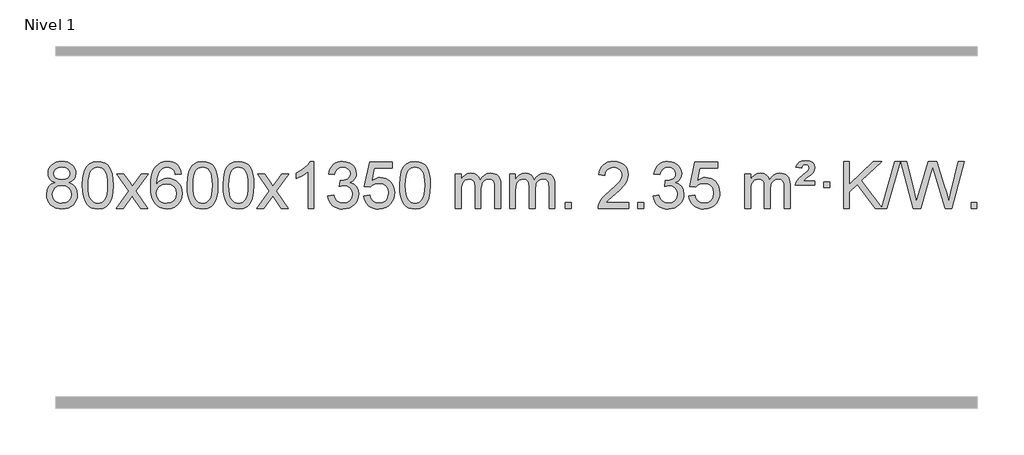
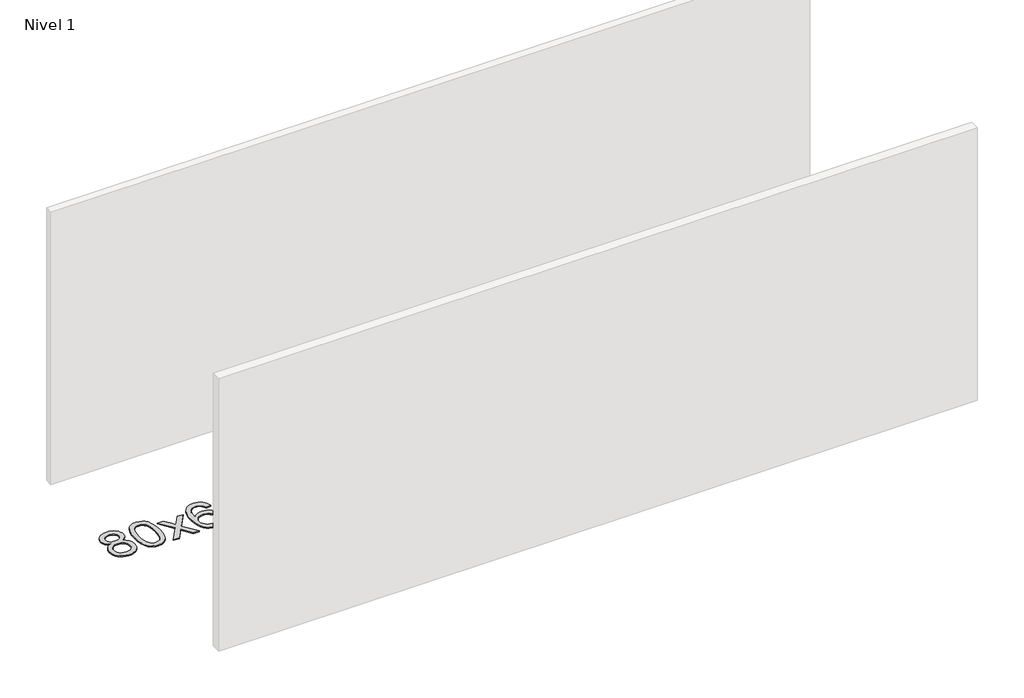
# One storey, part 7 of 10: 1 proxy.
"""IFC4 building model written with IfcOpenShell, lengths in millimetres."""

from ifc_helpers import new_model, si_unit, origin, origin_with_axes, place, context, project, spatial, polyline, outline, extrude, element, save

model = new_model("IFC4")

# Units and contexts
model_context = context("Model", 3, world=origin())
ifc_project = project(units=[si_unit("LENGTHUNIT", "METRE", prefix="MILLI")], contexts=[model_context])

# Site, building, storey
site = spatial("IfcSite", under=ifc_project)
building = spatial("IfcBuilding", under=site)
storey = spatial("IfcBuildingStorey", under=building, Name="Nivel 1", Elevation=0.0)

# Proxy
placement = place(None, origin())
element("IfcBuildingElementProxy", 1, Name="Texto de modelo 1", ObjectType="Texto de modelo 1", at=placement, inside=storey, context=model_context, shape_type="SweptSolid", body=[
    extrude(outline(polyline([(-6536.8094438, -6174.2616447), (-6563.7016177, -6161.0178929), (-6582.573964, -6143.0652515), (-6593.7207885, -6120.7716026), (-6597.4363966, -6094.5048281), (-6595.4130456, -6074.0199324), (-6589.3429927, -6055.2395565), (-6579.2262378, -6038.1637006), (-6565.062781, -6022.7923645), (-6547.533204, -6010.088173), (-6527.3180883, -6001.0137504), (-6504.4174341, -5995.5690969), (-6478.8312414, -5993.7542124), (-6453.1224213, -5995.6120165), (-6430.0500888, -6001.1854287), (-6409.614244, -6010.4744491), (-6391.8148868, -6023.4790776), (-6377.3939126, -6039.1508506), (-6367.0932167, -6056.4413044), (-6360.9127992, -6075.3504389), (-6358.85266, -6095.8782543), (-6362.5192172, -6121.2989001), (-6373.5188889, -6143.2124043), (-6391.9743023, -6161.0546811), (-6418.0080848, -6174.2616447), (-6387.0937345, -6190.1909351), (-6364.5916191, -6213.6495436), (-6350.8696207, -6243.5092989), (-6346.2956212, -6278.6420295), (-6348.5642269, -6303.6947933), (-6355.3700438, -6326.6628926), (-6366.713072, -6347.5463272), (-6382.5933114, -6366.3450971), (-6402.1768963, -6381.88198), (-6424.6299607, -6392.9797536), (-6449.9525047, -6399.6384177), (-6478.1445283, -6401.8579724), (-6506.3365519, -6399.6292206), (-6531.6590959, -6392.9429654), (-6554.1121603, -6381.7992066), (-6573.6957452, -6366.1979443), (-6589.5759846, -6347.26735), (-6600.9190128, -6326.135595), (-6607.7248297, -6302.8026795), (-6609.9934354, -6277.2686033), (-6605.2354949, -6240.7747094), (-6590.9616735, -6210.7555386), (-6567.9077351, -6188.2411605), (-6536.8094438, -6174.2616447)]), holes=[polyline([(-6547.2082415, -6095.9763561), (-6542.7568694, -6117.902123), (-6529.402753, -6135.413306), (-6507.5382997, -6146.8912243), (-6477.5559171, -6150.717197), (-6448.2725103, -6146.9157497), (-6426.7391508, -6135.5114079), (-6413.495399, -6118.5888361), (-6409.0808151, -6098.232699), (-6413.6425518, -6077.1040098), (-6427.327762, -6059.629615), (-6449.1554271, -6047.8941794), (-6478.1445283, -6043.9823675), (-6507.3175705, -6047.8083402), (-6529.1084474, -6059.2862585), (-6542.683293, -6076.1107284), (-6547.2082415, -6095.9763561)]), polyline([(-6559.7652803, -6275.5027698), (-6557.6683529, -6294.7184726), (-6551.3775708, -6313.3210389), (-6539.7647625, -6329.5446349), (-6521.7017565, -6341.623427), (-6500.0702952, -6349.1282197), (-6477.7521208, -6351.6298173), (-6443.5636208, -6346.3691048), (-6429.6699441, -6339.7932141), (-6417.909983, -6330.5869672), (-6401.870328, -6306.6869002), (-6396.5237763, -6277.0723996), (-6402.0420062, -6246.9551269), (-6418.596696, -6222.5277625), (-6430.6754882, -6213.0854579), (-6444.838945, -6206.3409547), (-6479.4198526, -6200.9453521), (-6513.130106, -6206.2673783), (-6526.8674329, -6212.919911), (-6538.5262264, -6222.2334569), (-6554.4555168, -6246.1948375), (-6559.7652803, -6275.5027698)])]), origin_with_axes(), (0.0, 0.0, 1.0), 10.0),
    extrude(outline(polyline([(-6302.3459855, -6197.9041943), (-6298.6549029, -6133.5861588), (-6287.5816548, -6082.2911459), (-6269.236606, -6043.2343407), (-6257.378543, -6028.0009605), (-6243.730121, -6015.6309284), (-6228.2453547, -6006.0598651), (-6210.8782588, -5999.2233914), (-6170.4970785, -5993.7542124), (-6139.5459399, -5996.991574), (-6111.832163, -6006.7036586), (-6088.6555973, -6022.5103217), (-6071.3160926, -6044.0314184), (-6058.2194935, -6071.0830078), (-6047.7716449, -6103.4811488), (-6040.9290398, -6144.6226186), (-6038.6481714, -6197.9041943), (-6042.3024659, -6261.8543477), (-6053.2653493, -6313.0267333), (-6071.5000336, -6352.1203266), (-6083.3305054, -6367.3996922), (-6096.9697304, -6379.8341036), (-6112.4728908, -6389.4695462), (-6129.8951689, -6396.3520052), (-6170.4970785, -6401.8579724), (-6198.1618045, -6399.4667394), (-6222.6872709, -6392.2930405), (-6244.0734775, -6380.3368757), (-6262.3204245, -6363.5982449), (-6279.8316074, -6333.3399508), (-6292.3395953, -6295.6381776), (-6299.844388, -6250.4929255), (-6302.3459855, -6197.9041943)]), holes=[polyline([(-6252.1178305, -6197.8060924), (-6250.6463025, -6241.4706195), (-6246.2317185, -6276.8148822), (-6238.8740786, -6303.8388804), (-6228.5733828, -6322.5426142), (-6216.1144459, -6335.2682656), (-6202.2820829, -6344.3580165), (-6187.0762937, -6349.8118671), (-6170.4970785, -6351.6298173), (-6153.9178632, -6349.8057357), (-6138.7120741, -6344.3334911), (-6124.8797111, -6335.2130833), (-6112.4207742, -6322.4445124), (-6102.1200783, -6303.7101217), (-6094.7624384, -6276.6922549), (-6090.3478545, -6241.3909118), (-6088.8763265, -6197.8060924), (-6090.2988035, -6155.2973278), (-6094.5662347, -6120.5753989), (-6101.6786199, -6093.6403055), (-6111.6359592, -6074.4920476), (-6123.8864297, -6061.1440625), (-6137.8782082, -6051.6097875), (-6153.6112949, -6045.8892225), (-6171.0856897, -6043.9823675), (-6187.5790658, -6045.6623619), (-6202.5273375, -6050.7023452), (-6215.9305049, -6059.1023175), (-6227.7885679, -6070.8622786), (-6238.4326203, -6091.708925), (-6246.0355148, -6119.8151094), (-6250.5972516, -6155.1808319), (-6252.1178305, -6197.8060924)])]), origin_with_axes(), (0.0, 0.0, 1.0), 10.0),
    extrude(outline(polyline([(-6013.5340939, -6395.579453), (-5906.2106531, -6247.2494325), (-6007.2555745, -6100.4890419), (-5946.8248254, -6100.4890419), (-5898.0681983, -6171.122385), (-5875.3085655, -6204.4770192), (-5855.5900906, -6177.2047007), (-5800.0644348, -6100.4890419), (-5739.6336857, -6100.4890419), (-5845.7799041, -6247.2494325), (-5743.5577603, -6395.579453), (-5803.9885094, -6395.579453), (-5865.498379, -6306.4048574), (-5876.7800935, -6290.1199477), (-5953.1033448, -6395.579453), (-6013.5340939, -6395.579453)])), origin_with_axes(), (0.0, 0.0, 1.0), 10.0),
    extrude(outline(polyline([(-5454.7458687, -6100.4890419), (-5504.9740237, -6106.7675613), (-5513.0674276, -6081.874213), (-5524.0057856, -6064.8780648), (-5546.7899439, -6049.2062918), (-5574.3320426, -6043.9823675), (-5597.6802865, -6047.0235253), (-5619.6551044, -6056.1469988), (-5638.5274507, -6075.3627017), (-5653.9417063, -6101.8134171), (-5664.3527668, -6139.227016), (-5668.2155277, -6191.3313693), (-5648.0678571, -6167.8237098), (-5623.9225355, -6151.2567573), (-5597.1284635, -6141.434308), (-5569.0345418, -6138.1601582), (-5544.9014829, -6140.398107), (-5522.6323595, -6147.1119534), (-5502.2271715, -6158.3016975), (-5483.6859189, -6173.9673391), (-5468.2777947, -6193.1769106), (-5457.2719917, -6214.9984443), (-5450.6685099, -6239.4319401), (-5448.4673493, -6266.4773982), (-5452.6121531, -6302.4439945), (-5465.0465645, -6335.786366), (-5484.740514, -6364.0642287), (-5510.6639319, -6384.8372987), (-5541.6395959, -6397.602804), (-5576.4902836, -6401.8579724), (-5606.4328123, -6399.0375437), (-5633.4752046, -6390.5762579), (-5657.6174606, -6376.4741147), (-5678.8595801, -6356.7311143), (-5696.177625, -6330.5133908), (-5708.5476571, -6296.9870783), (-5715.9696764, -6256.1521768), (-5718.4436828, -6208.0086864), (-5715.6968306, -6154.0342663), (-5707.4562739, -6107.9693092), (-5693.7220127, -6069.8138149), (-5674.4940471, -6039.5677835), (-5653.6535321, -6019.5243462), (-5629.4898164, -6005.2076052), (-5602.0029, -5996.6175606), (-5571.1927829, -5993.7542124), (-5548.0591367, -5995.5261773), (-5527.1205198, -6000.8420722), (-5508.3769322, -6009.7018969), (-5491.8283738, -6022.1056515), (-5477.9224344, -6037.6364031), (-5467.1067037, -6055.8772186), (-5459.3811818, -6076.8280983), (-5454.7458687, -6100.4890419)]), holes=[polyline([(-5668.2155277, -6265.6925832), (-5665.30926, -6287.9494439), (-5656.5904567, -6309.2007605), (-5643.0523993, -6327.472233), (-5625.6883691, -6340.7895612), (-5604.7313581, -6348.9197533), (-5580.4143582, -6351.6298173), (-5547.2681904, -6346.0134855), (-5533.353054, -6338.9930708), (-5521.2098825, -6329.1644901), (-5511.359842, -6316.9262824), (-5504.3240989, -6302.6769865), (-5498.6955043, -6268.1451299), (-5504.2505225, -6234.9989621), (-5511.1942951, -6221.3781312), (-5520.9155769, -6209.725469), (-5533.0955366, -6200.3904634), (-5547.4153432, -6193.7226022), (-5582.4744974, -6188.3883133), (-5615.5716142, -6193.7226022), (-5643.248603, -6209.725469), (-5654.1716326, -6221.2248471), (-5661.9737965, -6234.3858254), (-5666.6550949, -6249.2084042), (-5668.2155277, -6265.6925832)])]), origin_with_axes(), (0.0, 0.0, 1.0), 10.0),
    extrude(outline(polyline([(-5404.5177136, -6197.9041943), (-5400.8266309, -6133.5861588), (-5389.7533828, -6082.2911459), (-5371.408334, -6043.2343407), (-5359.550271, -6028.0009605), (-5345.901849, -6015.6309284), (-5330.4170827, -6006.0598651), (-5313.0499869, -5999.2233914), (-5272.6688065, -5993.7542124), (-5241.717668, -5996.991574), (-5214.003891, -6006.7036586), (-5190.8273253, -6022.5103217), (-5173.4878206, -6044.0314184), (-5160.3912216, -6071.0830078), (-5149.9433729, -6103.4811488), (-5143.1007678, -6144.6226186), (-5140.8198994, -6197.9041943), (-5144.4741939, -6261.8543477), (-5155.4370774, -6313.0267333), (-5173.6717616, -6352.1203266), (-5185.5022334, -6367.3996922), (-5199.1414584, -6379.8341036), (-5214.6446188, -6389.4695462), (-5232.066897, -6396.3520052), (-5272.6688065, -6401.8579724), (-5300.3335326, -6399.4667394), (-5324.8589989, -6392.2930405), (-5346.2452055, -6380.3368757), (-5364.4921525, -6363.5982449), (-5382.0033355, -6333.3399508), (-5394.5113233, -6295.6381776), (-5402.016116, -6250.4929255), (-5404.5177136, -6197.9041943)]), holes=[polyline([(-5354.2895585, -6197.8060924), (-5352.8180305, -6241.4706195), (-5348.4034466, -6276.8148822), (-5341.0458067, -6303.8388804), (-5330.7451108, -6322.5426142), (-5318.2861739, -6335.2682656), (-5304.4538109, -6344.3580165), (-5289.2480218, -6349.8118671), (-5272.6688065, -6351.6298173), (-5256.0895913, -6349.8057357), (-5240.8838021, -6344.3334911), (-5227.0514391, -6335.2130833), (-5214.5925022, -6322.4445124), (-5204.2918063, -6303.7101217), (-5196.9341664, -6276.6922549), (-5192.5195825, -6241.3909118), (-5191.0480545, -6197.8060924), (-5192.4705316, -6155.2973278), (-5196.7379627, -6120.5753989), (-5203.8503479, -6093.6403055), (-5213.8076873, -6074.4920476), (-5226.0581577, -6061.1440625), (-5240.0499363, -6051.6097875), (-5255.7830229, -6045.8892225), (-5273.2574177, -6043.9823675), (-5289.7507938, -6045.6623619), (-5304.6990656, -6050.7023452), (-5318.1022329, -6059.1023175), (-5329.9602959, -6070.8622786), (-5340.6043483, -6091.708925), (-5348.2072429, -6119.8151094), (-5352.7689796, -6155.1808319), (-5354.2895585, -6197.8060924)])]), origin_with_axes(), (0.0, 0.0, 1.0), 10.0),
    extrude(outline(polyline([(-5096.8702638, -6197.9041943), (-5093.1791811, -6133.5861588), (-5082.105933, -6082.2911459), (-5063.7608842, -6043.2343407), (-5051.9028212, -6028.0009605), (-5038.2543992, -6015.6309284), (-5022.7696329, -6006.0598651), (-5005.402537, -5999.2233914), (-4965.0213567, -5993.7542124), (-4934.0702182, -5996.991574), (-4906.3564412, -6006.7036586), (-4883.1798755, -6022.5103217), (-4865.8403708, -6044.0314184), (-4852.7437718, -6071.0830078), (-4842.2959231, -6103.4811488), (-4835.453318, -6144.6226186), (-4833.1724496, -6197.9041943), (-4836.8267441, -6261.8543477), (-4847.7896275, -6313.0267333), (-4866.0243118, -6352.1203266), (-4877.8547836, -6367.3996922), (-4891.4940086, -6379.8341036), (-4906.997169, -6389.4695462), (-4924.4194471, -6396.3520052), (-4965.0213567, -6401.8579724), (-4992.6860827, -6399.4667394), (-5017.2115491, -6392.2930405), (-5038.5977557, -6380.3368757), (-5056.8447027, -6363.5982449), (-5074.3558856, -6333.3399508), (-5086.8638735, -6295.6381776), (-5094.3686662, -6250.4929255), (-5096.8702638, -6197.9041943)]), holes=[polyline([(-5046.6421087, -6197.8060924), (-5045.1705807, -6241.4706195), (-5040.7559968, -6276.8148822), (-5033.3983568, -6303.8388804), (-5023.097661, -6322.5426142), (-5010.6387241, -6335.2682656), (-4996.8063611, -6344.3580165), (-4981.6005719, -6349.8118671), (-4965.0213567, -6351.6298173), (-4948.4421414, -6349.8057357), (-4933.2363523, -6344.3334911), (-4919.4039893, -6335.2130833), (-4906.9450524, -6322.4445124), (-4896.6443565, -6303.7101217), (-4889.2867166, -6276.6922549), (-4884.8721327, -6241.3909118), (-4883.4006047, -6197.8060924), (-4884.8230817, -6155.2973278), (-4889.0905129, -6120.5753989), (-4896.2028981, -6093.6403055), (-4906.1602375, -6074.4920476), (-4918.4107079, -6061.1440625), (-4932.4024864, -6051.6097875), (-4948.1355731, -6045.8892225), (-4965.6099679, -6043.9823675), (-4982.103344, -6045.6623619), (-4997.0516157, -6050.7023452), (-5010.4547831, -6059.1023175), (-5022.3128461, -6070.8622786), (-5032.9568985, -6091.708925), (-5040.559793, -6119.8151094), (-5045.1215298, -6155.1808319), (-5046.6421087, -6197.8060924)])]), origin_with_axes(), (0.0, 0.0, 1.0), 10.0),
    extrude(outline(polyline([(-4808.0583721, -6395.579453), (-4700.7349313, -6247.2494325), (-4801.7798527, -6100.4890419), (-4741.3491036, -6100.4890419), (-4692.5924765, -6171.122385), (-4669.8328437, -6204.4770192), (-4650.1143688, -6177.2047007), (-4594.588713, -6100.4890419), (-4534.1579639, -6100.4890419), (-4640.3041823, -6247.2494325), (-4538.0820385, -6395.579453), (-4598.5127876, -6395.579453), (-4660.0226572, -6306.4048574), (-4671.3043717, -6290.1199477), (-4747.627623, -6395.579453), (-4808.0583721, -6395.579453)])), origin_with_axes(), (0.0, 0.0, 1.0), 10.0),
    extrude(outline(polyline([(-4318.3338601, -6395.579453), (-4368.5620152, -6395.579453), (-4368.5620152, -6082.4382987), (-4389.5312889, -6099.3976587), (-4416.1414199, -6116.3324932), (-4469.0183253, -6141.6918254), (-4469.0183253, -6094.2105225), (-4429.5691127, -6072.7507395), (-4395.3928753, -6047.219729), (-4368.4516506, -6020.0700378), (-4350.7074757, -5993.7542124), (-4318.3338601, -5993.7542124), (-4318.3338601, -6395.579453)])), origin_with_axes(), (0.0, 0.0, 1.0), 10.0),
    extrude(outline(polyline([(-4199.0419918, -6288.8446235), (-4148.8138367, -6282.5661041), (-4137.5689104, -6314.1303793), (-4121.1000597, -6335.4430095), (-4098.5979444, -6347.5831154), (-4069.2532239, -6351.6298173), (-4034.8194691, -6346.0625364), (-4020.5456477, -6339.1034354), (-4008.2338636, -6329.3606939), (-3991.2377154, -6304.4428201), (-3985.5723327, -6274.2274455), (-3991.1886645, -6245.5449126), (-4008.0376599, -6222.2825078), (-4033.5441449, -6206.8682522), (-4065.1329455, -6201.730167), (-4100.3515152, -6207.2238715), (-4094.7597089, -6156.9957164), (-4086.7153559, -6157.5843276), (-4056.6226087, -6153.979084), (-4029.7181721, -6143.1633534), (-4018.6449241, -6134.9841103), (-4010.7354612, -6124.8673555), (-4005.9897835, -6112.8130888), (-4004.4078909, -6098.8213102), (-4008.9941531, -6077.1285352), (-4022.7529397, -6059.5315131), (-4043.7467389, -6047.8696539), (-4070.0380388, -6043.9823675), (-4096.3783897, -6047.9064421), (-4117.9117491, -6059.6786659), (-4133.632573, -6079.299039), (-4142.5353173, -6106.7675613), (-4192.7634724, -6100.4890419), (-4186.8099154, -6076.5092672), (-4177.9746162, -6055.3867093), (-4166.2575747, -6037.1213683), (-4151.6587908, -6021.713244), (-4134.6381172, -6009.4811677), (-4115.6554062, -6000.7439703), (-4094.710658, -5995.5016519), (-4071.8038724, -5993.7542124), (-4040.2273345, -5997.2000404), (-4011.2259705, -6007.5375245), (-3986.7740806, -6023.8469596), (-3968.8459647, -6045.2086408), (-3957.846293, -6069.8199463), (-3954.1797358, -6095.8782543), (-3957.662352, -6120.1584659), (-3968.1102007, -6142.1823347), (-3985.376129, -6160.9443165), (-4009.3129841, -6175.4388671), (-3977.8713363, -6188.1430586), (-3954.5721433, -6209.77452), (-3940.151169, -6239.1560286), (-3935.3441776, -6275.1103623), (-3937.7476733, -6300.5923218), (-3944.9581605, -6324.0631931), (-3956.975639, -6345.5229762), (-3973.8001089, -6364.971671), (-3994.2972674, -6381.1094278), (-4017.3328116, -6392.636397), (-4042.9067417, -6399.5525785), (-4071.0190575, -6401.8579724), (-4096.4274406, -6399.8898037), (-4119.5794808, -6393.9852977), (-4140.4751782, -6384.1444543), (-4159.1145326, -6370.3672736), (-4174.743386, -6353.4630959), (-4186.6075804, -6334.2412617), (-4194.7071156, -6312.7017708), (-4199.0419918, -6288.8446235)])), origin_with_axes(), (0.0, 0.0, 1.0), 10.0),
    extrude(outline(polyline([(-3891.394542, -6288.8446235), (-3841.1663869, -6282.5661041), (-3831.9448115, -6312.7201649), (-3815.8561056, -6334.3148381), (-3792.9738455, -6347.3010725), (-3763.3716076, -6351.6298173), (-3744.2417439, -6350.1245668), (-3727.368223, -6345.6088153), (-3712.7510451, -6338.0825628), (-3700.3902101, -6327.5458094), (-3690.5616294, -6314.519721), (-3683.5412147, -6299.5254641), (-3677.9248829, -6263.6324441), (-3683.1855954, -6229.8363514), (-3689.7614861, -6215.9181493), (-3698.967733, -6203.9865099), (-3710.834993, -6194.4154467), (-3725.393923, -6187.5789729), (-3762.5867927, -6182.1097939), (-3786.9528435, -6184.2925604), (-3806.6835812, -6190.8408599), (-3822.4411933, -6200.8717757), (-3834.8878675, -6213.5023908), (-3885.1160226, -6207.2238715), (-3841.1663869, -6000.0327318), (-3646.532286, -6000.0327318), (-3646.532286, -6050.2608869), (-3800.5522146, -6050.2608869), (-3822.0365231, -6160.919791), (-3804.3107423, -6148.2155994), (-3786.1557659, -6139.1411769), (-3767.5715937, -6133.6965234), (-3748.558226, -6131.8816388), (-3724.097139, -6134.1318504), (-3701.6287461, -6140.882485), (-3681.1530474, -6152.1335427), (-3662.6700428, -6167.8850234), (-3647.3692175, -6187.1743027), (-3636.4400566, -6209.038756), (-3629.88256, -6233.4783832), (-3627.6967278, -6260.4931844), (-3629.6648965, -6286.5147042), (-3635.5694025, -6310.7213394), (-3645.4102459, -6333.1130902), (-3659.1874266, -6353.6899565), (-3680.0585985, -6374.7634634), (-3704.4123865, -6389.8159684), (-3732.2487908, -6398.8474714), (-3763.5678114, -6401.8579724), (-3789.4881636, -6399.9235262), (-3812.9007869, -6394.1201877), (-3833.8056813, -6384.447957), (-3852.2028467, -6370.9068338), (-3867.5098034, -6354.1712688), (-3879.1440715, -6334.915712), (-3887.105651, -6313.1401636), (-3891.394542, -6288.8446235)])), origin_with_axes(), (0.0, 0.0, 1.0), 10.0),
    extrude(outline(polyline([(-3583.7470921, -6197.9041943), (-3580.0560094, -6133.5861588), (-3568.9827614, -6082.2911459), (-3550.6377126, -6043.2343407), (-3538.7796496, -6028.0009605), (-3525.1312276, -6015.6309284), (-3509.6464612, -6006.0598651), (-3492.2793654, -5999.2233914), (-3451.8981851, -5993.7542124), (-3420.9470465, -5996.991574), (-3393.2332696, -6006.7036586), (-3370.0567039, -6022.5103217), (-3352.7171992, -6044.0314184), (-3339.6206001, -6071.0830078), (-3329.1727515, -6103.4811488), (-3322.3301463, -6144.6226186), (-3320.049278, -6197.9041943), (-3323.7035725, -6261.8543477), (-3334.6664559, -6313.0267333), (-3352.9011401, -6352.1203266), (-3364.731612, -6367.3996922), (-3378.3708369, -6379.8341036), (-3393.8739974, -6389.4695462), (-3411.2962755, -6396.3520052), (-3451.8981851, -6401.8579724), (-3479.5629111, -6399.4667394), (-3504.0883774, -6392.2930405), (-3525.4745841, -6380.3368757), (-3543.721531, -6363.5982449), (-3561.232714, -6333.3399508), (-3573.7407019, -6295.6381776), (-3581.2454946, -6250.4929255), (-3583.7470921, -6197.9041943)]), holes=[polyline([(-3533.518937, -6197.8060924), (-3532.0474091, -6241.4706195), (-3527.6328251, -6276.8148822), (-3520.2751852, -6303.8388804), (-3509.9744894, -6322.5426142), (-3497.5155525, -6335.2682656), (-3483.6831894, -6344.3580165), (-3468.4774003, -6349.8118671), (-3451.8981851, -6351.6298173), (-3435.3189698, -6349.8057357), (-3420.1131807, -6344.3334911), (-3406.2808176, -6335.2130833), (-3393.8218807, -6322.4445124), (-3383.5211849, -6303.7101217), (-3376.163545, -6276.6922549), (-3371.748961, -6241.3909118), (-3370.2774331, -6197.8060924), (-3371.6999101, -6155.2973278), (-3375.9673412, -6120.5753989), (-3383.0797265, -6093.6403055), (-3393.0370658, -6074.4920476), (-3405.2875363, -6061.1440625), (-3419.2793148, -6051.6097875), (-3435.0124015, -6045.8892225), (-3452.4867962, -6043.9823675), (-3468.9801724, -6045.6623619), (-3483.9284441, -6050.7023452), (-3497.3316115, -6059.1023175), (-3509.1896744, -6070.8622786), (-3519.8337268, -6091.708925), (-3527.4366214, -6119.8151094), (-3531.9983581, -6155.1808319), (-3533.518937, -6197.8060924)])]), origin_with_axes(), (0.0, 0.0, 1.0), 10.0),
    extrude(outline(polyline([(-3106.5796189, -6395.579453), (-3106.5796189, -6100.4890419), (-3056.3514638, -6100.4890419), (-3056.3514638, -6149.0494653), (-3041.2437766, -6126.7435537), (-3021.8196072, -6109.2691589), (-2998.7411434, -6097.9751816), (-2972.6705727, -6094.2105225), (-2944.7360665, -6098.048758), (-2922.3443157, -6109.5634645), (-2905.6179477, -6127.9943524), (-2894.6795897, -6152.5811324), (-2876.3713291, -6127.0439906), (-2855.4878945, -6108.803175), (-2832.0292859, -6097.8586857), (-2805.9955034, -6094.2105225), (-2785.8876867, -6095.7280358), (-2768.2385479, -6100.2805755), (-2753.0480872, -6107.8681416), (-2740.3163045, -6118.4907342), (-2730.2516663, -6132.2709806), (-2723.0626389, -6149.3315082), (-2718.7492225, -6169.6723168), (-2717.3114171, -6193.2934066), (-2717.3114171, -6395.579453), (-2767.5395722, -6395.579453), (-2767.5395722, -6214.875817), (-2768.7045318, -6189.8230531), (-2772.1994108, -6172.9372695), (-2778.7477103, -6161.3735121), (-2789.0729316, -6152.2868268), (-2802.3534716, -6146.4007149), (-2817.7677272, -6144.4386776), (-2844.9787321, -6149.4663982), (-2867.1620165, -6164.54956), (-2875.7673895, -6176.1194488), (-2881.9140845, -6190.7182326), (-2886.8314405, -6229.0024856), (-2886.8314405, -6395.579453), (-2937.0595955, -6395.579453), (-2937.0595955, -6209.2840106), (-2939.9658633, -6180.8835206), (-2948.6846666, -6160.6254854), (-2964.0253458, -6148.4853796), (-2986.7972413, -6144.4386776), (-3006.1478342, -6147.1364789), (-3023.9778483, -6155.2298828), (-3038.6931281, -6168.5226856), (-3048.6995183, -6186.8186835), (-3054.4384775, -6212.2025411), (-3056.3514638, -6246.7589232), (-3056.3514638, -6395.579453), (-3106.5796189, -6395.579453)])), origin_with_axes(), (0.0, 0.0, 1.0), 10.0),
    extrude(outline(polyline([(-2641.9691845, -6395.579453), (-2641.9691845, -6100.4890419), (-2591.7410294, -6100.4890419), (-2591.7410294, -6149.0494653), (-2576.6333421, -6126.7435537), (-2557.2091728, -6109.2691589), (-2534.130709, -6097.9751816), (-2508.0601382, -6094.2105225), (-2480.1256321, -6098.048758), (-2457.7338813, -6109.5634645), (-2441.0075132, -6127.9943524), (-2430.0691552, -6152.5811324), (-2411.7608946, -6127.0439906), (-2390.87746, -6108.803175), (-2367.4188515, -6097.8586857), (-2341.3850689, -6094.2105225), (-2321.2772522, -6095.7280358), (-2303.6281135, -6100.2805755), (-2288.4376528, -6107.8681416), (-2275.7058701, -6118.4907342), (-2265.6412318, -6132.2709806), (-2258.4522045, -6149.3315082), (-2254.1387881, -6169.6723168), (-2252.7009826, -6193.2934066), (-2252.7009826, -6395.579453), (-2302.9291377, -6395.579453), (-2302.9291377, -6214.875817), (-2304.0940974, -6189.8230531), (-2307.5889763, -6172.9372695), (-2314.1372758, -6161.3735121), (-2324.4624972, -6152.2868268), (-2337.7430372, -6146.4007149), (-2353.1572928, -6144.4386776), (-2380.3682977, -6149.4663982), (-2402.551582, -6164.54956), (-2411.156955, -6176.1194488), (-2417.30365, -6190.7182326), (-2422.221006, -6229.0024856), (-2422.221006, -6395.579453), (-2472.4491611, -6395.579453), (-2472.4491611, -6209.2840106), (-2475.3554289, -6180.8835206), (-2484.0742321, -6160.6254854), (-2499.4149113, -6148.4853796), (-2522.1868068, -6144.4386776), (-2541.5373998, -6147.1364789), (-2559.3674138, -6155.2298828), (-2574.0826936, -6168.5226856), (-2584.0890839, -6186.8186835), (-2589.828043, -6212.2025411), (-2591.7410294, -6246.7589232), (-2591.7410294, -6395.579453), (-2641.9691845, -6395.579453)])), origin_with_axes(), (0.0, 0.0, 1.0), 10.0),
    extrude(outline(polyline([(-2164.8017113, -6395.579453), (-2164.8017113, -6345.3512979), (-2114.5735562, -6345.3512979), (-2114.5735562, -6395.579453), (-2164.8017113, -6395.579453)])), origin_with_axes(), (0.0, 0.0, 1.0), 10.0),
    extrude(outline(polyline([(-1618.5705248, -6345.3512979), (-1618.5705248, -6395.579453), (-1882.268339, -6395.579453), (-1881.164693, -6377.8965918), (-1876.8727364, -6360.9494945), (-1864.4873759, -6333.8856424), (-1846.3630562, -6307.6311307), (-1820.1453327, -6280.1503456), (-1783.4797605, -6249.4076736), (-1729.2784799, -6201.2641831), (-1696.7577115, -6165.7267824), (-1680.4973273, -6136.884834), (-1675.0771993, -6108.8277005), (-1680.190759, -6083.6768347), (-1695.5314382, -6062.7688747), (-1719.1126741, -6048.6789943), (-1748.9479039, -6043.9823675), (-1780.2791872, -6048.5686297), (-1804.6207125, -6062.3274163), (-1820.3292737, -6084.1796068), (-1825.7616645, -6113.0460807), (-1875.9898196, -6106.7675613), (-1871.6702718, -6080.838012), (-1863.8129255, -6058.1826125), (-1852.4177807, -6038.8013627), (-1837.4848374, -6022.6942627), (-1819.3574521, -6010.0329907), (-1798.3789813, -6000.989225), (-1774.5494251, -5995.5629655), (-1747.8687834, -5993.7542124), (-1720.9490184, -5995.7653006), (-1696.9907035, -6001.7985654), (-1675.9938386, -6011.8540066), (-1657.9584238, -6025.9316242), (-1643.4730702, -6042.9890861), (-1633.1263891, -6061.9840598), (-1626.9183804, -6082.9165453), (-1624.8490442, -6105.7865427), (-1627.0808616, -6129.8092369), (-1633.776314, -6153.4149983), (-1645.6589024, -6177.4254299), (-1663.4521282, -6202.6621347), (-1691.8158301, -6232.7916701), (-1735.4098465, -6271.4805933), (-1793.1918452, -6319.795762), (-1815.8533761, -6345.3512979), (-1618.5705248, -6345.3512979)])), origin_with_axes(), (0.0, 0.0, 1.0), 10.0),
    extrude(outline(polyline([(-1543.2282922, -6395.579453), (-1543.2282922, -6345.3512979), (-1493.0001371, -6345.3512979), (-1493.0001371, -6395.579453), (-1543.2282922, -6395.579453)])), origin_with_axes(), (0.0, 0.0, 1.0), 10.0),
    extrude(outline(polyline([(-1411.3793851, -6288.8446235), (-1361.1512301, -6282.5661041), (-1349.9063037, -6314.1303793), (-1333.4374531, -6335.4430095), (-1310.9353377, -6347.5831154), (-1281.5906172, -6351.6298173), (-1247.1568625, -6346.0625364), (-1232.8830411, -6339.1034354), (-1220.571257, -6329.3606939), (-1203.5751088, -6304.4428201), (-1197.9097261, -6274.2274455), (-1203.5260579, -6245.5449126), (-1220.3750532, -6222.2825078), (-1245.8815382, -6206.8682522), (-1277.4703389, -6201.730167), (-1312.6889086, -6207.2238715), (-1307.0971022, -6156.9957164), (-1299.0527493, -6157.5843276), (-1268.9600021, -6153.979084), (-1242.0555655, -6143.1633534), (-1230.9823174, -6134.9841103), (-1223.0728545, -6124.8673555), (-1218.3271768, -6112.8130888), (-1216.7452842, -6098.8213102), (-1221.3315464, -6077.1285352), (-1235.090333, -6059.5315131), (-1256.0841322, -6047.8696539), (-1282.3754322, -6043.9823675), (-1308.715783, -6047.9064421), (-1330.2491425, -6059.6786659), (-1345.9699664, -6079.299039), (-1354.8727107, -6106.7675613), (-1405.1008658, -6100.4890419), (-1399.1473088, -6076.5092672), (-1390.3120095, -6055.3867093), (-1378.594968, -6037.1213683), (-1363.9961842, -6021.713244), (-1346.9755105, -6009.4811677), (-1327.9927996, -6000.7439703), (-1307.0480513, -5995.5016519), (-1284.1412657, -5993.7542124), (-1252.5647278, -5997.2000404), (-1223.5633639, -6007.5375245), (-1199.1114739, -6023.8469596), (-1181.183358, -6045.2086408), (-1170.1836864, -6069.8199463), (-1166.5171291, -6095.8782543), (-1169.9997454, -6120.1584659), (-1180.447594, -6142.1823347), (-1197.7135223, -6160.9443165), (-1221.6503775, -6175.4388671), (-1190.2087296, -6188.1430586), (-1166.9095366, -6209.77452), (-1152.4885624, -6239.1560286), (-1147.681571, -6275.1103623), (-1150.0850667, -6300.5923218), (-1157.2955538, -6324.0631931), (-1169.3130323, -6345.5229762), (-1186.1375022, -6364.971671), (-1206.6346607, -6381.1094278), (-1229.670205, -6392.636397), (-1255.244135, -6399.5525785), (-1283.3564508, -6401.8579724), (-1308.7648339, -6399.8898037), (-1331.9168742, -6393.9852977), (-1352.8125715, -6384.1444543), (-1371.4519259, -6370.3672736), (-1387.0807794, -6353.4630959), (-1398.9449737, -6334.2412617), (-1407.044509, -6312.7017708), (-1411.3793851, -6288.8446235)])), origin_with_axes(), (0.0, 0.0, 1.0), 10.0),
    extrude(outline(polyline([(-1103.7319353, -6288.8446235), (-1053.5037802, -6282.5661041), (-1044.2822049, -6312.7201649), (-1028.193499, -6334.3148381), (-1005.3112389, -6347.3010725), (-975.709001, -6351.6298173), (-956.5791372, -6350.1245668), (-939.7056164, -6345.6088153), (-925.0884384, -6338.0825628), (-912.7276034, -6327.5458094), (-902.8990228, -6314.519721), (-895.878608, -6299.5254641), (-890.2622762, -6263.6324441), (-895.5229888, -6229.8363514), (-902.0988794, -6215.9181493), (-911.3051264, -6203.9865099), (-923.1723864, -6194.4154467), (-937.7313163, -6187.5789729), (-974.9241861, -6182.1097939), (-999.2902369, -6184.2925604), (-1019.0209745, -6190.8408599), (-1034.7785867, -6200.8717757), (-1047.2252608, -6213.5023908), (-1097.4534159, -6207.2238715), (-1053.5037802, -6000.0327318), (-858.8696793, -6000.0327318), (-858.8696793, -6050.2608869), (-1012.889608, -6050.2608869), (-1034.3739165, -6160.919791), (-1016.6481357, -6148.2155994), (-998.4931592, -6139.1411769), (-979.9089871, -6133.6965234), (-960.8956193, -6131.8816388), (-936.4345323, -6134.1318504), (-913.9661395, -6140.882485), (-893.4904407, -6152.1335427), (-875.0074362, -6167.8850234), (-859.7066109, -6187.1743027), (-848.7774499, -6209.038756), (-842.2199533, -6233.4783832), (-840.0341212, -6260.4931844), (-842.0022898, -6286.5147042), (-847.9067959, -6310.7213394), (-857.7476392, -6333.1130902), (-871.5248199, -6353.6899565), (-892.3959918, -6374.7634634), (-916.7497799, -6389.8159684), (-944.5861842, -6398.8474714), (-975.9052047, -6401.8579724), (-1001.825557, -6399.9235262), (-1025.2381803, -6394.1201877), (-1046.1430746, -6384.447957), (-1064.5402401, -6370.9068338), (-1079.8471968, -6354.1712688), (-1091.4814649, -6334.915712), (-1099.4430444, -6313.1401636), (-1103.7319353, -6288.8446235)])), origin_with_axes(), (0.0, 0.0, 1.0), 10.0),
    extrude(outline(polyline([(-626.5644621, -6395.579453), (-626.5644621, -6100.4890419), (-576.336307, -6100.4890419), (-576.336307, -6149.0494653), (-561.2286197, -6126.7435537), (-541.8044504, -6109.2691589), (-518.7259866, -6097.9751816), (-492.6554158, -6094.2105225), (-464.7209097, -6098.048758), (-442.3291589, -6109.5634645), (-425.6027909, -6127.9943524), (-414.6644329, -6152.5811324), (-396.3561722, -6127.0439906), (-375.4727377, -6108.803175), (-352.0141291, -6097.8586857), (-325.9803466, -6094.2105225), (-305.8725298, -6095.7280358), (-288.2233911, -6100.2805755), (-273.0329304, -6107.8681416), (-260.3011477, -6118.4907342), (-250.2365094, -6132.2709806), (-243.0474821, -6149.3315082), (-238.7340657, -6169.6723168), (-237.2962603, -6193.2934066), (-237.2962603, -6395.579453), (-287.5244153, -6395.579453), (-287.5244153, -6214.875817), (-288.689375, -6189.8230531), (-292.1842539, -6172.9372695), (-298.7325535, -6161.3735121), (-309.0577748, -6152.2868268), (-322.3383148, -6146.4007149), (-337.7525704, -6144.4386776), (-364.9635753, -6149.4663982), (-387.1468596, -6164.54956), (-395.7522326, -6176.1194488), (-401.8989276, -6190.7182326), (-406.8162836, -6229.0024856), (-406.8162836, -6395.579453), (-457.0444387, -6395.579453), (-457.0444387, -6209.2840106), (-459.9507065, -6180.8835206), (-468.6695098, -6160.6254854), (-484.010189, -6148.4853796), (-506.7820845, -6144.4386776), (-526.1326774, -6147.1364789), (-543.9626914, -6155.2298828), (-558.6779713, -6168.5226856), (-568.6843615, -6186.8186835), (-574.4233206, -6212.2025411), (-576.336307, -6246.7589232), (-576.336307, -6395.579453), (-626.5644621, -6395.579453)])), origin_with_axes(), (0.0, 0.0, 1.0), 10.0),
    extrude(outline(polyline([(-193.3466246, -6194.6668327), (-189.5206518, -6178.8479069), (-181.1819933, -6162.9799302), (-159.6731593, -6137.8413272), (-127.7164766, -6110.1030247), (-83.5706372, -6072.726214), (-76.4337265, -6061.1992448), (-74.0547563, -6049.3779701), (-75.9432172, -6037.2869152), (-81.6085999, -6027.5012541), (-90.977328, -6021.026531), (-103.9758252, -6018.8682899), (-116.4102366, -6020.4869707), (-125.26393, -6025.343013), (-131.6896022, -6034.8098431), (-136.8399501, -6050.2608869), (-187.0681052, -6043.9823675), (-176.2278491, -6018.7701881), (-159.5995829, -6001.2099542), (-135.834406, -5990.9092583), (-103.5834178, -5987.475693), (-67.8007624, -5991.6082341), (-43.0545668, -6004.0058573), (-28.6335926, -6022.3386434), (-23.8266012, -6044.2766731), (-27.9223541, -6067.1834586), (-40.2096127, -6088.8149199), (-60.737428, -6108.6314968), (-97.2067965, -6136.6886303), (-122.8113834, -6163.2742358), (-23.8266012, -6163.2742358), (-23.8266012, -6194.6668327), (-193.3466246, -6194.6668327)])), origin_with_axes(), (0.0, 0.0, 1.0), 10.0),
    extrude(outline(polyline([(51.5156314, -6219.7809102), (51.5156314, -6169.5527552), (101.7437865, -6169.5527552), (101.7437865, -6219.7809102), (51.5156314, -6219.7809102)])), origin_with_axes(), (0.0, 0.0, 1.0), 10.0),
    extrude(outline(polyline([(492.3854144, -6395.579453), (338.954097, -6192.9009991), (271.2638099, -6257.4520265), (271.2638099, -6395.579453), (221.0356548, -6395.579453), (221.0356548, -5993.7542124), (271.2638099, -5993.7542124), (271.2638099, -6190.4484525), (477.2777272, -5993.7542124), (547.5186628, -5993.7542124), (374.5650741, -6158.9577537), (549.218684, -6389.5349332), (660.5320117, -5993.7542124), (705.8550735, -5993.7542124), (592.8417246, -6395.579453), (553.7971822, -6395.579453), (547.5186628, -6395.579453), (492.3854144, -6395.579453)])), origin_with_axes(), (0.0, 0.0, 1.0), 10.0),
    extrude(outline(polyline([(820.3399504, -6395.579453), (710.7601668, -5993.7542124), (762.5579517, -5993.7542124), (826.1279605, -6257.844434), (845.7483335, -6339.3670841), (866.7421327, -6267.2622131), (946.4008474, -5993.7542124), (1021.056367, -5993.7542124), (1078.9364675, -6192.0180823), (1103.731714, -6265.5944814), (1122.0031864, -6339.3670841), (1141.0349483, -6260.1988788), (1205.1935683, -5993.7542124), (1256.9913532, -5993.7542124), (1147.3134677, -6395.579453), (1093.6517474, -6395.579453), (997.3157155, -6085.5775584), (983.87576, -6042.3146358), (968.7680727, -6094.4067263), (880.9669032, -6395.579453), (820.3399504, -6395.579453)])), origin_with_axes(), (0.0, 0.0, 1.0), 10.0),
    extrude(outline(polyline([(1313.4980277, -6395.579453), (1313.4980277, -6345.3512979), (1363.7261827, -6345.3512979), (1363.7261827, -6395.579453), (1313.4980277, -6395.579453)])), origin_with_axes(), (0.0, 0.0, 1.0), 10.0),
])

save(model, "model.ifc")
